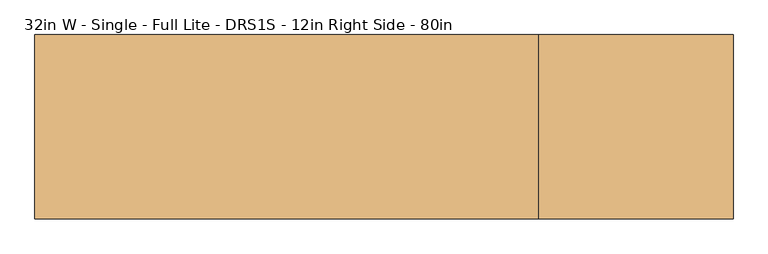
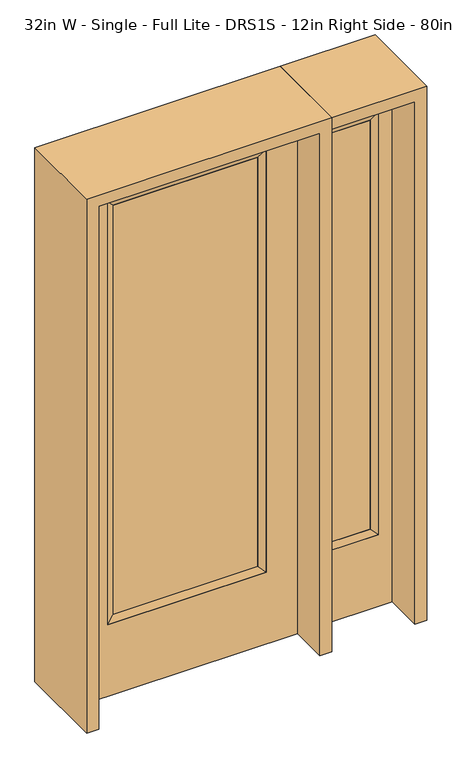
"""IFC4 building model written with IfcOpenShell, lengths in millimetres: door geometry, 32in W - Single - Full Lite - DRS1S - 12in Right Side - 80in."""

from ifc_helpers import new_model, si_unit, frame, origin, place, context, project, spatial, polyline, outline, extrude, faceted_brep, source, transform, mapped, element, save


def door_32in_w_single_full_lite_drs1s_12in_right_side_80in_5697da90(model_context):
    return source(origin(), model_context, "Body", "SolidModel", [
        extrude(outline(polyline([(265.5824, -12.7039749), (-265.5824, -12.7039749), (-265.5824, 14.2875), (265.5824, 14.2875), (265.5824, -12.7039749)])), frame((0.0, 0.0, 304.8), z_axis=(0.0, 0.0, 1.0), x_axis=(1.0, 0.0, 0.0)), (0.0, 0.0, 1.0), 1591.1576),
        faceted_brep([(265.5824, 14.2875, 1895.9576), (290.9824, 22.225, 1921.3576), (290.9824, 22.225, 279.4), (265.5824, 14.2875, 304.8), (290.9824, -22.225, 1921.3576), (290.9824, -22.225, 279.4), (-290.9824, 22.225, 279.4), (-265.5824, 14.2875, 304.8), (265.5824, -12.7039749, 1895.9576), (265.5824, -12.7039749, 304.8), (-265.5824, -12.7039749, 304.8), (-290.9824, -22.225, 279.4), (-290.9824, 22.225, 1921.3576), (-265.5824, 14.2875, 1895.9576), (-265.5824, -12.7039749, 1895.9576), (-290.9824, -22.225, 1921.3576)], [[[0, 1, 2, 3]], [[1, 4, 5, 2]], [[3, 2, 6, 7]], [[8, 0, 3, 9]], [[9, 3, 7, 10]], [[4, 8, 9, 5]], [[5, 9, 10, 11]], [[2, 5, 11, 6]], [[7, 6, 12, 13]], [[10, 7, 13, 14]], [[11, 10, 14, 15]], [[6, 11, 15, 12]], [[13, 12, 1, 0]], [[14, 13, 0, 8]], [[15, 14, 8, 4]], [[12, 15, 4, 1]]]),
        extrude(outline(polyline([(0.0, -406.4), (0.0, 406.4), (2032.0, 406.4), (2032.0, -406.4), (0.0, -406.4)]), holes=[polyline([(279.4, -290.9824), (1921.3576, -290.9824), (1921.3576, 290.9824), (279.4, 290.9824), (279.4, -290.9824)])]), frame((0.0, -22.225, 0.0), z_axis=(0.0, 1.0, 0.0), x_axis=(0.0, 0.0, 1.0)), (0.0, 0.0, 1.0), 44.45),
        faceted_brep([(501.65, 20.6375, 1920.875), (501.65, 20.6375, 279.4), (501.65, -20.6375, 279.4), (501.65, -20.6375, 1920.875), (527.05, -12.7, 304.8), (527.05, -12.7, 1895.475), (704.85, 20.6375, 279.4), (704.85, -20.6375, 279.4), (527.05, 12.7, 1895.475), (527.05, 12.7, 304.8), (679.45, 12.7, 304.8), (679.45, -12.7, 304.8), (704.85, 20.6375, 1920.875), (704.85, -20.6375, 1920.875), (679.45, 12.7, 1895.475), (679.45, -12.7, 1895.475)], [[[0, 1, 2, 3]], [[3, 2, 4, 5]], [[1, 6, 7, 2]], [[8, 9, 1, 0]], [[9, 10, 6, 1]], [[5, 4, 9, 8]], [[4, 11, 10, 9]], [[2, 7, 11, 4]], [[6, 12, 13, 7]], [[10, 14, 12, 6]], [[11, 15, 14, 10]], [[7, 13, 15, 11]], [[12, 0, 3, 13]], [[14, 8, 0, 12]], [[15, 5, 8, 14]], [[13, 3, 5, 15]]]),
        extrude(outline(polyline([(0.0, 755.65), (2032.0, 755.65), (2032.0, 450.85), (0.0, 450.85), (0.0, 755.65)]), holes=[polyline([(1920.875, 501.65), (1920.875, 704.85), (279.4, 704.85), (279.4, 501.65), (1920.875, 501.65)])]), frame((0.0, -20.6375, 0.0), z_axis=(0.0, 1.0, 0.0), x_axis=(0.0, 0.0, 1.0)), (0.0, 0.0, 1.0), 41.275),
        extrude(outline(polyline([(527.05, -12.7), (527.05, 12.7), (679.45, 12.7), (679.45, -12.7), (527.05, -12.7)])), frame((0.0, 0.0, 304.8), z_axis=(0.0, 0.0, 1.0), x_axis=(1.0, 0.0, 0.0)), (0.0, 0.0, 1.0), 1590.675),
        extrude(outline(polyline([(2076.45, -450.85), (0.0, -450.85), (0.0, -406.4), (2032.0, -406.4), (2032.0, 406.4), (0.0, 406.4), (0.0, 450.85), (2076.45, 450.85), (2076.45, -450.85)])), frame((0.0, -165.1, 0.0), z_axis=(0.0, 1.0, 0.0), x_axis=(0.0, 0.0, 1.0)), (0.0, 0.0, 1.0), 330.2),
        extrude(outline(polyline([(0.0, 755.65), (0.0, 800.1), (2076.45, 800.1), (2076.45, 450.85), (2032.0, 450.85), (2032.0, 755.65), (0.0, 755.65)])), frame((0.0, -165.1, 0.0), z_axis=(0.0, 1.0, 0.0), x_axis=(0.0, 0.0, 1.0)), (0.0, 0.0, 1.0), 330.2),
    ])


if __name__ == "__main__":
    model = new_model("IFC4")
    model_context = context("Model", 3, world=origin())
    ifc_project = project(units=[si_unit("LENGTHUNIT", "METRE", prefix="MILLI")], contexts=[model_context])
    site = spatial("IfcSite", under=ifc_project)
    building = spatial("IfcBuilding", under=site)
    placement = place(None, origin())
    door_32in_w_single_full_lite_drs1s_12in_right_side_80in_shape = door_32in_w_single_full_lite_drs1s_12in_right_side_80in_5697da90(model_context)
    element("IfcDoor", 1, ObjectType="32in W - Single - Full Lite - DRS1S - 12in Right Side - 80in", at=placement, inside=building, context=model_context, shape_type="MappedRepresentation", body=[
        mapped(door_32in_w_single_full_lite_drs1s_12in_right_side_80in_shape, transform((0.0, 0.0, 0.0), x_axis=(1.0, 0.0, 0.0), y_axis=(0.0, 1.0, 0.0), z_axis=(0.0, 0.0, 1.0))),
    ])
    save(model, "model.ifc")
